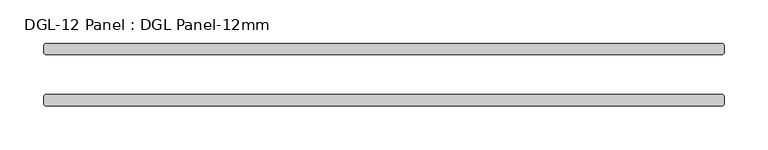
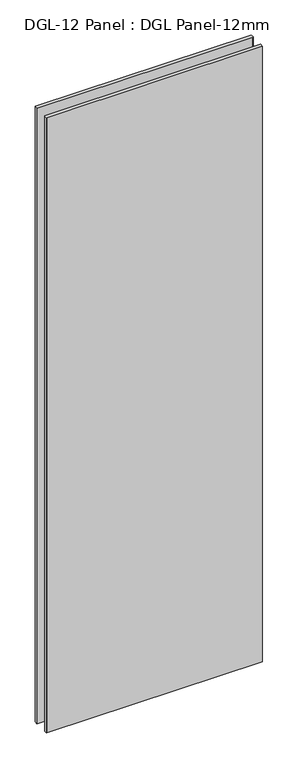
"""IFC4 building model written with IfcOpenShell, lengths in millimetres: plate geometry, DGL-12 Panel : DGL Panel-12mm."""

from ifc_helpers import new_model, si_unit, origin, origin_with_axes, place, context, project, spatial, polyline, outline, extrude, source, transform, mapped, element, save


def dgl_12_panel_dgl_panel_12mm_43eb5c25(model_context):
    return source(origin(), model_context, "Body", "SweptSolid", [
        extrude(outline(polyline([(387.4822917, -22.9195313), (389.0697917, -24.5070313), (389.0697917, -34.0320313), (387.4822917, -35.6195313), (-387.4822917, -35.6195313), (-389.0697917, -34.0320313), (-389.0697917, -24.5070313), (-387.4822917, -22.9195313), (387.4822917, -22.9195313)])), origin_with_axes(), (0.0, 0.0, 1.0), 2339.4622278),
        extrude(outline(polyline([(387.4822917, 35.6195312), (389.0697917, 34.0320312), (389.0697917, 24.5070312), (387.4822917, 22.9195312), (-387.4822917, 22.9195312), (-389.0697917, 24.5070312), (-389.0697917, 34.0320312), (-387.4822917, 35.6195312), (387.4822917, 35.6195312)])), origin_with_axes(), (0.0, 0.0, 1.0), 2339.4622278),
    ])


if __name__ == "__main__":
    model = new_model("IFC4")
    model_context = context("Model", 3, world=origin())
    ifc_project = project(units=[si_unit("LENGTHUNIT", "METRE", prefix="MILLI")], contexts=[model_context])
    site = spatial("IfcSite", under=ifc_project)
    building = spatial("IfcBuilding", under=site)
    placement = place(None, origin())
    dgl_12_panel_dgl_panel_12mm_shape = dgl_12_panel_dgl_panel_12mm_43eb5c25(model_context)
    element("IfcPlate", 1, ObjectType="DGL-12 Panel : DGL Panel-12mm", at=placement, inside=building, context=model_context, shape_type="MappedRepresentation", body=[
        mapped(dgl_12_panel_dgl_panel_12mm_shape, transform((0.0, 0.0, 0.0), x_axis=(1.0, 0.0, 0.0), y_axis=(0.0, 1.0, 0.0), z_axis=(0.0, 0.0, 1.0))),
    ])
    save(model, "model.ifc")
